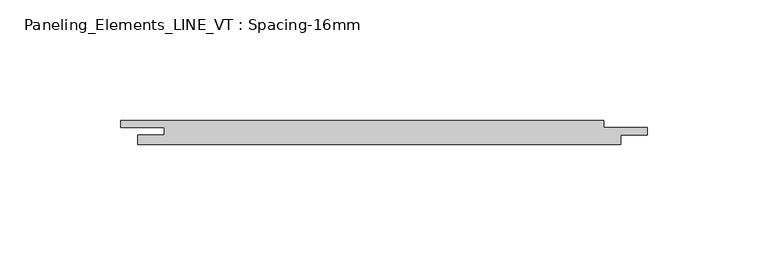
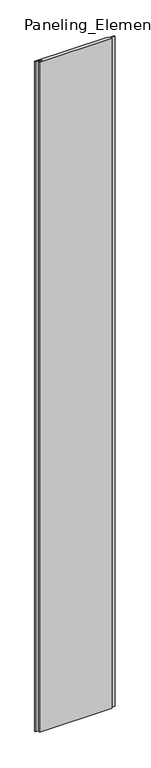
"""IFC4 building model written with IfcOpenShell, lengths in millimetres: plate geometry, Paneling_Elements_LINE_VT : Spacing-16mm."""

import ifcopenshell
import ifcopenshell.guid

model = None  # the IFC model being written
_history = None  # IfcOwnerHistory: only IFC2X3 demands one
_inside = {}  # id of a spatial element -> (the spatial element, [elements in it])
_under = {}  # id of a project, library or spatial element -> (it, [spatial elements below it])
_declared = {}  # id of a project -> (the project, [libraries it declares])
_typed = {}  # id of a type object -> (the type object, [elements of that type])
_made_of = {}  # id of a material, layer set ... -> (it, [elements and type objects made of it])


def new_model(schema):
    """Start an empty IFC model of exactly this schema.

    Asked for "IFC4X3", IfcOpenShell would pick the latest addendum, in which some entities
    have other attributes; the version numbers below select the first issue.
    IFC2X3 requires an IfcOwnerHistory on every rooted entity: one is made here for all.
    """
    global model, _history
    if schema == "IFC4X3":
        model = ifcopenshell.file(schema_version=(4, 3, 0, 0))
    else:
        model = ifcopenshell.file(schema=schema)
    _inside.clear()
    _under.clear()
    _declared.clear()
    _typed.clear()
    _made_of.clear()
    _history = None
    if model.schema == "IFC2X3":
        org = make("IfcOrganization", Name="unknown")
        user = make(
            "IfcPersonAndOrganization",
            ThePerson=make("IfcPerson", FamilyName="unknown"),
            TheOrganization=org,
        )
        app = make(
            "IfcApplication",
            ApplicationDeveloper=org,
            Version="unknown",
            ApplicationFullName="unknown",
            ApplicationIdentifier="unknown",
        )
        _history = make(
            "IfcOwnerHistory",
            OwningUser=user,
            OwningApplication=app,
            ChangeAction="ADDED",
            CreationDate=0,
        )
    return model


def make(cls, **values):
    """One entity of the class cls with the attributes given. An attribute that is None is left unset."""
    return model.create_entity(
        cls, **{name: value for name, value in values.items() if value is not None}
    )


def rooted(cls, **values):
    """An entity with a GlobalId (a new one), such as an element, a storey or a relation."""
    return make(cls, GlobalId=ifcopenshell.guid.new(), OwnerHistory=_history, **values)


def si_unit(unit_type, name, prefix=None):
    """IfcSIUnit, for example si_unit("LENGTHUNIT", "METRE", prefix="MILLI")."""
    return make("IfcSIUnit", UnitType=unit_type, Prefix=prefix, Name=name)


def assignment(units):
    """IfcUnitAssignment: the units of a project."""
    return None if units is None else make("IfcUnitAssignment", Units=units)


def point(xyz):
    """IfcCartesianPoint."""
    return None if xyz is None else make("IfcCartesianPoint", Coordinates=xyz)


def direction(xyz):
    """IfcDirection."""
    return None if xyz is None else make("IfcDirection", DirectionRatios=xyz)


def frame(location, z_axis=None, x_axis=None):
    """IfcAxis2Placement3D, a coordinate frame: its origin and axes. An axis left out is left unset."""
    return make(
        "IfcAxis2Placement3D",
        Location=point(location),
        Axis=direction(z_axis),
        RefDirection=direction(x_axis),
    )


def origin():
    """The frame at (0, 0, 0) with its axes left unset."""
    return frame((0.0, 0.0, 0.0))


def origin_with_axes():
    """The frame at (0, 0, 0) with the z axis (0, 0, 1) and the x axis (1, 0, 0) written out."""
    return frame((0.0, 0.0, 0.0), z_axis=(0.0, 0.0, 1.0), x_axis=(1.0, 0.0, 0.0))


def place(relative_to, where):
    """IfcLocalPlacement: puts the frame where relative to a parent placement (None: the world)."""
    return make(
        "IfcLocalPlacement", PlacementRelTo=relative_to, RelativePlacement=where
    )


def context(
    kind, dimensions, precision=None, world=None, true_north=None, identifier=None
):
    """IfcGeometricRepresentationContext, for example the 3D "Model" context."""
    return make(
        "IfcGeometricRepresentationContext",
        ContextIdentifier=identifier,
        ContextType=kind,
        CoordinateSpaceDimension=dimensions,
        Precision=precision,
        WorldCoordinateSystem=world,
        TrueNorth=true_north,
    )


def project(units=None, contexts=None):
    """IfcProject with its units and contexts."""
    return rooted(
        "IfcProject",
        Name="project",
        RepresentationContexts=contexts,
        UnitsInContext=assignment(units),
    )


def spatial(cls, under=None, at=None, **own):
    """A site, building, storey or space (cls), placed at a placement, below another one or the project."""
    s = rooted(cls, ObjectPlacement=at, **own)
    if under is not None:
        _under.setdefault(under.id(), (under, []))[1].append(s)
    return s


def polyline(points):
    """IfcPolyline through the points."""
    return make("IfcPolyline", Points=[point(p) for p in points])


def outline(outer, holes=None, kind="AREA"):
    """IfcArbitraryClosedProfileDef: a profile drawn as a closed curve; with holes, ...WithVoids."""
    if holes is None:
        return make("IfcArbitraryClosedProfileDef", ProfileType=kind, OuterCurve=outer)
    return make(
        "IfcArbitraryProfileDefWithVoids",
        ProfileType=kind,
        OuterCurve=outer,
        InnerCurves=holes,
    )


def extrude(swept, where, along, depth):
    """IfcExtrudedAreaSolid: the profile swept, set in the frame where, extruded along a direction by depth."""
    return make(
        "IfcExtrudedAreaSolid",
        SweptArea=swept,
        Position=where,
        ExtrudedDirection=direction(along),
        Depth=depth,
    )


def shape(context_of_items, identifier, shape_type, items):
    """IfcShapeRepresentation: the items that make up one representation, for example the "Body"."""
    return make(
        "IfcShapeRepresentation",
        ContextOfItems=context_of_items,
        RepresentationIdentifier=identifier,
        RepresentationType=shape_type,
        Items=items,
    )


def source(mapping_origin, context_of_items, identifier, shape_type, items):
    """IfcRepresentationMap: a shape defined once, which mapped items show again and again."""
    return make(
        "IfcRepresentationMap",
        MappingOrigin=mapping_origin,
        MappedRepresentation=shape(context_of_items, identifier, shape_type, items),
    )


def transform(
    local_origin,
    x_axis=None,
    y_axis=None,
    z_axis=None,
    scale=None,
    scale2=None,
    scale3=None,
    uniform=True,
):
    """IfcCartesianTransformationOperator3D, or its non-uniform kind. x_axis, y_axis, z_axis: its Axis1, 2, 3."""
    if uniform:
        return make(
            "IfcCartesianTransformationOperator3D",
            Axis1=direction(x_axis),
            Axis2=direction(y_axis),
            LocalOrigin=point(local_origin),
            Scale=scale,
            Axis3=direction(z_axis),
        )
    return make(
        "IfcCartesianTransformationOperator3DnonUniform",
        Axis1=direction(x_axis),
        Axis2=direction(y_axis),
        LocalOrigin=point(local_origin),
        Scale=scale,
        Axis3=direction(z_axis),
        Scale2=scale2,
        Scale3=scale3,
    )


def mapped(mapping_source, mapping_target):
    """IfcMappedItem: shows the shape of a source again, moved by a transform."""
    return make(
        "IfcMappedItem", MappingSource=mapping_source, MappingTarget=mapping_target
    )


def made_of(thing, what):
    """Note that an element or type object is made of a material, layer set ...; save() writes the relation."""
    if what is not None:
        _made_of.setdefault(what.id(), (what, []))[1].append(thing)
    return thing


def element(
    cls,
    number,
    at=None,
    inside=None,
    cuts=None,
    type_object=None,
    material=None,
    context=None,
    identifier="Body",
    shape_type=None,
    held_by="IfcProductDefinitionShape",
    body=None,
    shapes=None,
    **own,
):
    """One element of the class cls, such as IfcWall. Its Tag is "e" and its number.

    at: its placement. inside: the storey or other place that contains it. cuts: it is an
    opening in that element (IfcRelVoidsElement). A single representation is given by context,
    identifier, shape_type and body (its items); several are given by shapes. held_by: the class
    of the entity that holds the representations. save() writes the other relations.
    """
    e = rooted(cls, Tag="e%d" % number, ObjectPlacement=at, **own)
    if body is not None:
        shapes = [shape(context, identifier, shape_type, body)]
    if shapes is not None:
        e.Representation = make(held_by, Representations=shapes)
    if inside is not None:
        _inside.setdefault(inside.id(), (inside, []))[1].append(e)
    if cuts is not None:
        rooted(
            "IfcRelVoidsElement", RelatingBuildingElement=cuts, RelatedOpeningElement=e
        )
    if type_object is not None:
        _typed.setdefault(type_object.id(), (type_object, []))[1].append(e)
    return made_of(e, material)


def aggregate(whole, parts):
    """IfcRelAggregates: a whole, such as a stair, and the parts it consists of."""
    return rooted("IfcRelAggregates", RelatingObject=whole, RelatedObjects=parts)


def save(model, path):
    """Write the relations noted so far, then the file.

    IfcRelAggregates (storeys below a building ...), IfcRelContainedInSpatialStructure (elements
    in a storey), IfcRelDefinesByType, IfcRelAssociatesMaterial and IfcRelDeclares: one each for
    every whole, place, type object, material and project.
    """
    for whole, parts in _under.values():
        aggregate(whole, parts)
    for where, things in _inside.values():
        rooted(
            "IfcRelContainedInSpatialStructure",
            RelatedElements=things,
            RelatingStructure=where,
        )
    for kind, things in _typed.values():
        rooted("IfcRelDefinesByType", RelatedObjects=things, RelatingType=kind)
    for what, things in _made_of.values():
        rooted("IfcRelAssociatesMaterial", RelatedObjects=things, RelatingMaterial=what)
    for by, libraries in _declared.values():
        rooted("IfcRelDeclares", RelatingContext=by, RelatedDefinitions=libraries)
    model.write(path)


def paneling_elements_line_vt_spacing_16mm_9fd7be0b(model_context):
    return source(origin(), model_context, "Body", "SweptSolid", [
        extrude(outline(polyline([(93.0, 5.0), (93.0, 2.0), (111.0, 2.0), (111.0, -1.0), (100.0, -1.0), (100.0, -5.0), (-100.0, -5.0), (-100.0, -1.0), (-89.0, -1.0), (-89.0, 2.0), (-107.0, 2.0), (-107.0, 5.0), (93.0, 5.0)])), origin_with_axes(), (0.0, 0.0, 1.0), 1951.0),
    ])


if __name__ == "__main__":
    model = new_model("IFC4")
    model_context = context("Model", 3, world=origin())
    ifc_project = project(units=[si_unit("LENGTHUNIT", "METRE", prefix="MILLI")], contexts=[model_context])
    site = spatial("IfcSite", under=ifc_project)
    building = spatial("IfcBuilding", under=site)
    placement = place(None, origin())
    paneling_elements_line_vt_spacing_16mm_shape = paneling_elements_line_vt_spacing_16mm_9fd7be0b(model_context)
    element("IfcPlate", 1, ObjectType="Paneling_Elements_LINE_VT : Spacing-16mm", at=placement, inside=building, context=model_context, shape_type="MappedRepresentation", body=[
        mapped(paneling_elements_line_vt_spacing_16mm_shape, transform((0.0, 0.0, 0.0), x_axis=(1.0, 0.0, 0.0), y_axis=(0.0, 1.0, 0.0), z_axis=(0.0, 0.0, 1.0))),
    ])
    save(model, "model.ifc")
